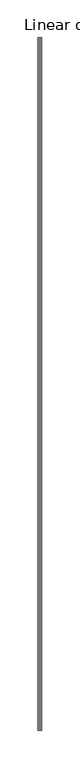
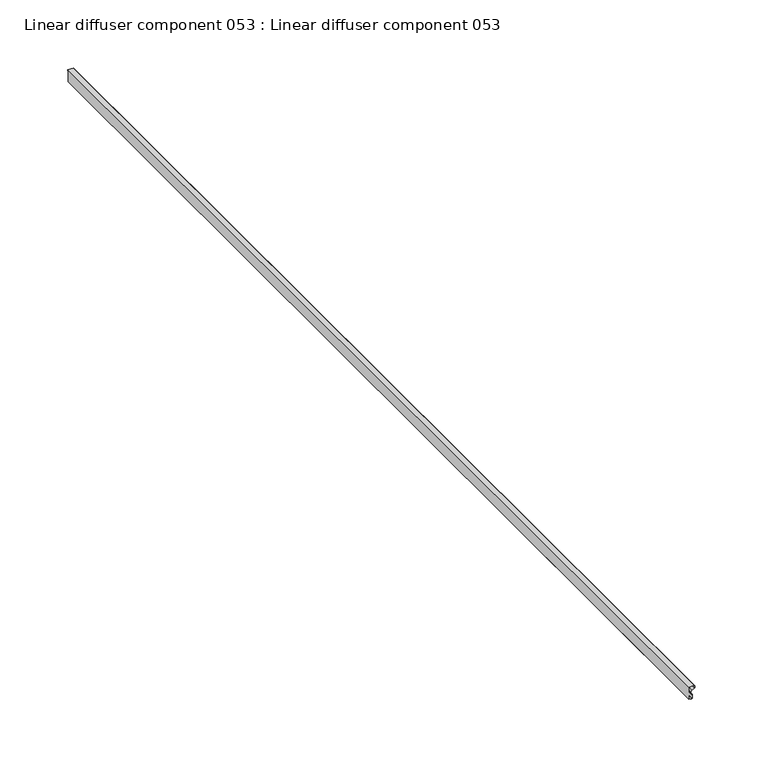
"""IFC4 building model written with IfcOpenShell, lengths in millimetres: proxy geometry, Linear diffuser component 053 : Linear diffuser component 053."""

from ifc_helpers import new_model, si_unit, origin, place, context, project, spatial, triangles, source, transform, mapped, element, save


def linear_diffuser_component_053_linear_diffuser_component_053_5ea57ec0(model_context):
    return source(origin(), model_context, "Body", "Tessellation", [
        triangles([(37380.4578735, -19576.8259827, 2979.0225243), (37380.4578735, -18662.4259827, 2979.0225243), (37379.650946, -18662.4259827, 2979.959095), (37379.650946, -19576.8259827, 2979.959095), (37379.3602661, -18662.4259827, 2981.1607658), (37379.3602661, -19576.8259827, 2981.1607658), (37380.1299866, -18662.4259827, 2983.0228615), (37380.1299866, -19576.8259827, 2983.0228615), (37382.1461426, -18662.4259827, 2983.8550781), (37382.1461426, -19576.8259827, 2983.8550781), (37382.5554199, -19576.8259827, 2984.173082), (37382.5554199, -18662.4259827, 2984.173082), (37382.5554199, -18662.4259827, 2986.1473801), (37382.5554199, -19576.8259827, 2986.1473801), (37382.1670715, -18662.4259827, 2986.1473801), (37382.1670715, -19576.8259827, 2986.1473801), (37382.1670715, -18662.4259827, 2986.5354378), (37382.1670715, -19576.8259827, 2986.5354378), (37377.4929382, -18662.4259827, 2986.5354378), (37377.4929382, -19576.8259827, 2986.5354378), (37377.4929382, -18662.4259827, 2985.7599037), (37377.4929382, -19576.8259827, 2985.7599037), (37377.6092102, -19576.8259827, 2985.7599037), (37377.6092102, -18662.4259827, 2985.7599037), (37377.6092102, -18662.4259827, 2975.7407478), (37377.6092102, -19576.8259827, 2975.7407478), (37379.2021362, -18662.4259827, 2975.7407478), (37379.2021362, -19576.8259827, 2975.7407478), (37379.2021362, -18662.4259827, 2974.9620163), (37379.2021362, -19576.8259827, 2974.9620163), (37380.227655, -18662.4259827, 2974.9620163), (37380.227655, -19576.8259827, 2974.9620163), (37380.6183289, -19576.8259827, 2975.350074), (37380.6183289, -18662.4259827, 2975.350074), (37380.6183289, -18662.4259827, 2978.7042297), (37380.6183289, -19576.8259827, 2978.7042297), (37380.2299805, -18662.4259827, 2978.7042297), (37380.2299805, -19576.8259827, 2978.7042297)], [[4, 1, 3], [2, 3, 1], [6, 4, 5], [3, 5, 4], [8, 6, 7], [5, 7, 6], [10, 8, 7], [7, 9, 10], [14, 11, 13], [12, 13, 11], [16, 14, 15], [13, 15, 14], [18, 16, 17], [15, 17, 16], [20, 18, 17], [17, 19, 20], [22, 20, 19], [19, 21, 22], [26, 23, 25], [24, 25, 23], [28, 26, 27], [25, 27, 26], [30, 28, 27], [27, 29, 30], [32, 30, 29], [29, 31, 32], [36, 33, 34], [34, 35, 36], [38, 36, 35], [35, 37, 38], [1, 38, 37], [37, 2, 1]], closed=False),
    ])


if __name__ == "__main__":
    model = new_model("IFC4")
    model_context = context("Model", 3, world=origin())
    ifc_project = project(units=[si_unit("LENGTHUNIT", "METRE", prefix="MILLI")], contexts=[model_context])
    site = spatial("IfcSite", under=ifc_project)
    building = spatial("IfcBuilding", under=site)
    placement = place(None, origin())
    linear_diffuser_component_053_linear_diffuser_component_053_shape = linear_diffuser_component_053_linear_diffuser_component_053_5ea57ec0(model_context)
    element("IfcBuildingElementProxy", 1, Name="Linear diffuser component 053 : Linear diffuser component 053", ObjectType="Linear diffuser component 053 : Linear diffuser component 053", at=placement, inside=building, context=model_context, shape_type="MappedRepresentation", body=[
        mapped(linear_diffuser_component_053_linear_diffuser_component_053_shape, transform((0.0, 0.0, 0.0), x_axis=(1.0, 0.0, 0.0), y_axis=(0.0, 1.0, 0.0), z_axis=(0.0, 0.0, 1.0))),
    ])
    save(model, "model.ifc")
